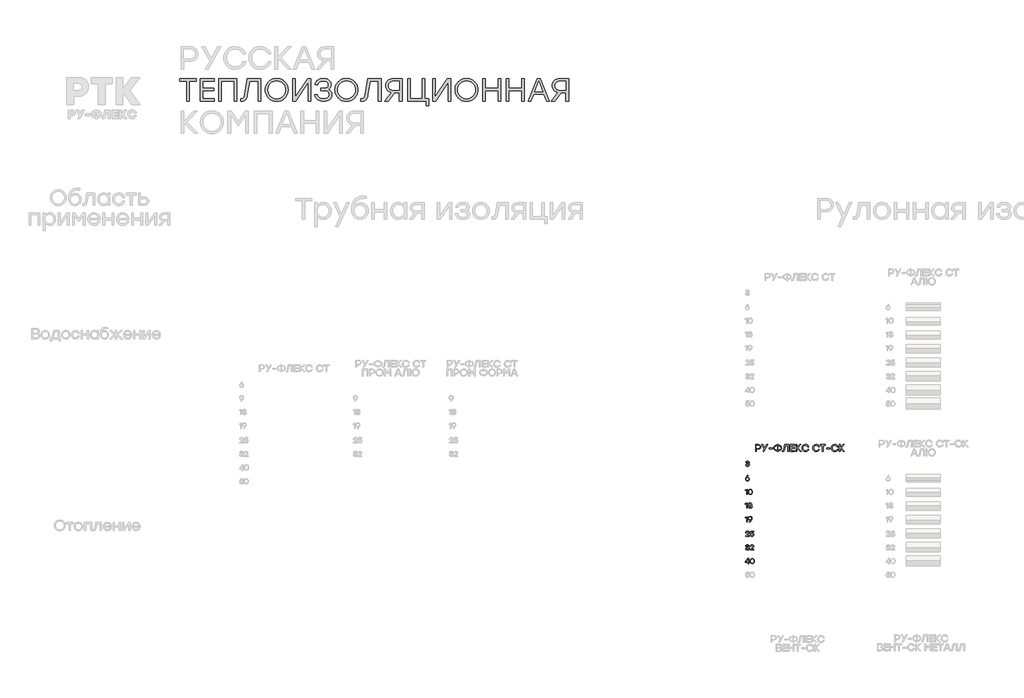
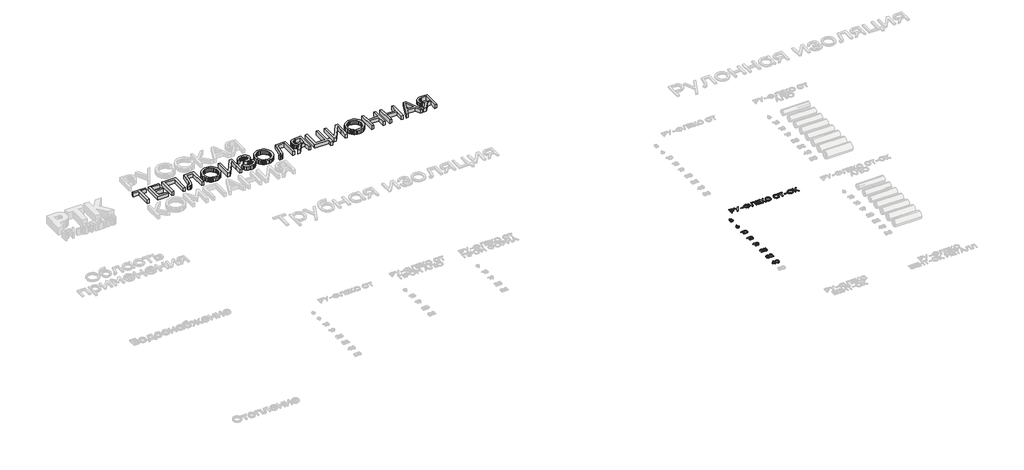
# One storey, part 35 of 41: 10 proxies.
"""IFC4 building model written with IfcOpenShell, lengths in millimetres."""

from ifc_helpers import new_model, si_unit, origin, origin_with_axes, place, context, project, spatial, polyline, outline, extrude, element, save

model = new_model("IFC4")

# Units and contexts
model_context = context("Model", 3, world=origin())
ifc_project = project(units=[si_unit("LENGTHUNIT", "METRE", prefix="MILLI")], contexts=[model_context])

# Site, building, storey
site = spatial("IfcSite", under=ifc_project)
building = spatial("IfcBuilding", under=site)
storey = spatial("IfcBuildingStorey", under=building, Elevation=0.0)

# Proxies
placement = place(None, origin())
element("IfcBuildingElementProxy", 1, Name="Generic Models", at=placement, inside=storey, context=model_context, shape_type="SweptSolid", body=[
    extrude(outline(polyline([(5396.4679587, -1804.1575167), (5396.4679587, -1876.9987756), (5187.6795293, -1876.9987756), (5187.6795293, -2450.5150358), (5110.1444423, -2450.5150358), (5110.1444423, -1876.9987756), (4902.3990858, -1876.9987756), (4902.3990858, -1804.1575167), (5396.4679587, -1804.1575167)])), origin_with_axes(), (0.0, 0.0, 1.0), 150.0),
    extrude(outline(polyline([(5918.525955, -1876.9987756), (5585.0903117, -1876.9987756), (5585.0903117, -2082.1364497), (5896.2737327, -2082.1364497), (5896.2737327, -2154.9777086), (5585.0903117, -2154.9777086), (5585.0903117, -2377.4999315), (5918.525955, -2377.4999315), (5918.525955, -2450.5150358), (5508.4244521, -2450.5150358), (5508.4244521, -1804.1575167), (5918.525955, -1804.1575167), (5918.525955, -1876.9987756)])), origin_with_axes(), (0.0, 0.0, 1.0), 150.0),
    extrude(outline(polyline([(6570.7942207, -1804.1575167), (6570.7942207, -2450.5150358), (6494.1283611, -2450.5150358), (6494.1283611, -1876.9987756), (6119.1436465, -1876.9987756), (6119.1436465, -2450.5150358), (6042.4777869, -2450.5150358), (6042.4777869, -1804.1575167), (6119.1436465, -1804.1575167), (6570.7942207, -1804.1575167)])), origin_with_axes(), (0.0, 0.0, 1.0), 150.0),
    extrude(outline(polyline([(6883.889942, -1804.1575167), (7272.60845, -1804.1575167), (7272.60845, -2450.5150358), (7195.9425905, -2450.5150358), (7195.9425905, -1876.9987756), (6948.3866176, -1876.9987756), (6886.6714698, -2252.8527176), (6876.284202, -2305.5333327), (6863.7238656, -2349.8802298), (6848.9904606, -2385.8934089), (6832.083987, -2413.5728699), (6812.4177163, -2434.1463967), (6789.4049201, -2448.841773), (6763.0455982, -2457.6589988), (6733.3397506, -2460.5980741), (6682.5768685, -2457.8165463), (6682.5768685, -2387.7568152), (6718.5628843, -2389.49527), (6737.1154573, -2387.6481617), (6753.1364054, -2382.1068369), (6766.6257286, -2372.8712954), (6777.583427, -2359.9415373), (6786.9330545, -2341.8833374), (6795.5981655, -2317.2624704), (6810.8748377, -2248.3327349), (6883.889942, -1804.1575167)])), origin_with_axes(), (0.0, 0.0, 1.0), 150.0),
    extrude(outline(polyline([(7502.0844923, -1889.5156506), (7526.9063682, -1867.1058808), (7553.1298733, -1847.6840804), (7580.7550077, -1831.2502492), (7609.7817713, -1817.8043874), (7640.2101641, -1807.3464948), (7672.0401862, -1799.8765716), (7739.905118, -1793.900633), (7807.7102904, -1799.8765716), (7839.4656133, -1807.3464948), (7869.7894272, -1817.8043874), (7898.6817321, -1831.2502492), (7926.1425282, -1847.6840804), (7952.1718153, -1867.1058808), (7976.7695935, -1889.5156506), (7999.1589907, -1914.147383), (8018.563135, -1940.2350713), (8034.9820263, -1967.7787156), (8048.4156647, -1996.7783158), (8058.86405, -2027.233872), (8066.3271824, -2059.1453841), (8072.2976884, -2127.3362763), (8066.2945864, -2195.5217357), (8058.790709, -2227.426457), (8048.2852805, -2257.872506), (8034.7783011, -2286.8598827), (8018.2697707, -2314.3885872), (7998.7596894, -2340.4586193), (7976.248057, -2365.0699792), (7951.5294019, -2387.4593764), (7925.3982522, -2406.8635207), (7897.8546079, -2423.282412), (7868.8984691, -2436.7160503), (7838.5298356, -2447.1644357), (7806.7487076, -2454.6275681), (7738.9489678, -2460.5980741), (7671.1492281, -2454.6275681), (7639.3681, -2447.1644357), (7608.9994666, -2436.7160503), (7580.0433277, -2423.282412), (7552.4996835, -2406.8635207), (7526.3685338, -2387.4593764), (7501.6498786, -2365.0699792), (7479.1382463, -2340.4586193), (7459.6281649, -2314.3885872), (7443.1196345, -2286.8598827), (7429.6126551, -2257.872506), (7419.1072267, -2227.426457), (7411.6033492, -2195.5217357), (7405.6002473, -2127.3362763), (7411.6305126, -2059.1453841), (7419.1683443, -2027.233872), (7429.7213086, -1996.7783158), (7443.2894055, -1967.7787156), (7459.8726351, -1940.2350713), (7479.4709974, -1914.147383), (7502.0844923, -1889.5156506)]), holes=[polyline([(7739.0358906, -1866.9157373), (7687.1104168, -1871.5878348), (7639.4658881, -1885.6041271), (7596.1023046, -1908.9646144), (7557.0196661, -1941.6692966), (7524.6952709, -1981.3006348), (7501.6064173, -2025.4410904), (7487.753105, -2074.0906633), (7483.1353343, -2127.2493535), (7487.753105, -2180.4134764), (7501.6064173, -2229.0793473), (7524.6952709, -2273.2469662), (7557.0196661, -2312.9163332), (7596.1023046, -2345.6590441), (7639.4658881, -2369.0466947), (7687.1104168, -2383.079285), (7739.0358906, -2387.7568152), (7791.3090553, -2383.1118811), (7839.1274295, -2369.1770788), (7882.491013, -2345.9524083), (7921.399806, -2313.4378697), (7953.496029, -2273.9369155), (7976.4219025, -2229.7529985), (7990.1774266, -2180.8861188), (7994.7626014, -2127.3362763), (7990.1774266, -2073.7864337), (7976.4219025, -2024.919554), (7953.496029, -1980.735637), (7921.399806, -1941.2346829), (7882.491013, -1908.7201442), (7839.1274295, -1885.4954737), (7791.3090553, -1871.5606714), (7739.0358906, -1866.9157373)])]), origin_with_axes(), (0.0, 0.0, 1.0), 150.0),
    extrude(outline(polyline([(8642.5108844, -1804.1575167), (8736.7351381, -1804.1575167), (8736.7351381, -2450.5150358), (8660.0692785, -2450.5150358), (8660.0692785, -2180.0114587), (8666.5015615, -1906.5525083), (8301.7737307, -2450.5150358), (8207.5494769, -2450.5150358), (8207.5494769, -1804.1575167), (8284.2153365, -1804.1575167), (8284.2153365, -2074.6610938), (8277.7830535, -2347.9461987), (8642.5108844, -1804.1575167)])), origin_with_axes(), (0.0, 0.0, 1.0), 150.0),
    extrude(outline(polyline([(9233.4116933, -2109.7778821), (9259.2549114, -2119.6599115), (9282.197083, -2132.7906784), (9302.238208, -2149.1701828), (9319.3782864, -2168.7984248), (9333.1066472, -2191.0343491), (9342.9126192, -2215.2369004), (9348.7962024, -2241.4060788), (9350.7573968, -2269.5418843), (9346.6883259, -2311.1072536), (9334.4811131, -2348.1852363), (9314.1357585, -2380.7758323), (9285.652262, -2408.8790418), (9250.3561956, -2431.5061184), (9209.573131, -2447.668316), (9163.3030682, -2457.3656345), (9111.5460072, -2460.5980741), (9061.0112973, -2457.5123167), (9014.7575326, -2448.2550445), (8972.7847129, -2432.8262576), (8935.0928383, -2411.2259559), (8903.1269995, -2383.6279849), (8878.332287, -2350.2061901), (8860.7087008, -2310.9605715), (8850.2562409, -2265.8911291), (8927.7913279, -2265.8911291), (8936.5053329, -2294.4533992), (8949.2612455, -2319.2073667), (8966.0590656, -2340.1530315), (8986.8987933, -2357.2903936), (9011.7804286, -2370.6194531), (9040.7039714, -2380.1402098), (9073.6694218, -2385.8526638), (9110.6767798, -2387.7568152), (9146.9018331, -2385.676102), (9178.9111333, -2379.4339625), (9206.7046804, -2369.0303967), (9230.2824746, -2354.4654045), (9249.0686525, -2336.3257145), (9262.487351, -2315.1980552), (9270.5385701, -2291.0824266), (9273.2223098, -2263.9788287), (9271.0003471, -2239.4557498), (9264.3344593, -2217.5186224), (9253.2246461, -2198.1674467), (9237.6709077, -2181.4022226), (9217.3255531, -2167.8640053), (9191.8408913, -2158.1938501), (9161.2169223, -2152.391757), (9125.4536462, -2150.457726), (9023.7540365, -2150.457726), (9023.7540365, -2083.0056772), (9102.3321964, -2083.0056772), (9136.965477, -2081.4465005), (9166.9809868, -2076.7689703), (9192.3787258, -2068.9730868), (9213.1586941, -2058.0588498), (9229.3208917, -2044.0262595), (9240.8653186, -2026.8753157), (9247.7919747, -2006.6060185), (9250.10086, -1983.2183679), (9247.5583698, -1957.8314942), (9239.9308991, -1935.2152829), (9227.2184479, -1915.3697341), (9209.4210162, -1898.2948477), (9187.3535047, -1884.5664869), (9161.8308142, -1874.7605149), (9132.8529447, -1868.8769317), (9100.4198961, -1866.9157373), (9068.5029513, -1868.5292408), (9040.0303202, -1873.369751), (9015.0020028, -1881.4372681), (8993.4179991, -1892.7317921), (8975.0501369, -1907.8943781), (8959.670244, -1927.5660815), (8947.2783204, -1951.7469021), (8937.8743661, -1980.4368401), (8860.3392791, -1980.4368401), (8871.9760614, -1935.6227332), (8889.328014, -1897.1431213), (8912.395137, -1864.9980043), (8941.1774304, -1839.1873822), (8974.9795122, -1819.3744294), (9013.1060004, -1805.2223203), (9055.5568952, -1796.7310548), (9102.3321964, -1793.900633), (9149.134661, -1797.0461497), (9191.6670459, -1806.4827001), (9229.9293509, -1822.2102839), (9263.9215762, -1844.2289013), (9291.7966135, -1871.2129805), (9311.7073543, -1901.8369495), (9323.6537989, -1936.1008083), (9327.6359471, -1974.0045571), (9326.0767703, -1996.5121149), (9321.3992402, -2017.791889), (9313.6033567, -2037.8438794), (9302.6891197, -2056.668086), (9289.0042203, -2073.6451843), (9272.8963495, -2088.1558497), (9254.3655071, -2100.2000823), (9233.4116933, -2109.7778821)])), origin_with_axes(), (0.0, 0.0, 1.0), 150.0),
    extrude(outline(polyline([(9538.1628313, -1889.5156506), (9562.9847072, -1867.1058808), (9589.2082123, -1847.6840804), (9616.8333467, -1831.2502492), (9645.8601103, -1817.8043874), (9676.2885031, -1807.3464948), (9708.1185252, -1799.8765716), (9775.983457, -1793.900633), (9843.7886294, -1799.8765716), (9875.5439523, -1807.3464948), (9905.8677662, -1817.8043874), (9934.7600711, -1831.2502492), (9962.2208672, -1847.6840804), (9988.2501543, -1867.1058808), (10012.8479325, -1889.5156506), (10035.2373297, -1914.147383), (10054.641474, -1940.2350713), (10071.0603653, -1967.7787156), (10084.4940036, -1996.7783158), (10094.942389, -2027.233872), (10102.4055214, -2059.1453841), (10108.3760273, -2127.3362763), (10102.3729254, -2195.5217357), (10094.8690479, -2227.426457), (10084.3636195, -2257.872506), (10070.8566401, -2286.8598827), (10054.3481097, -2314.3885872), (10034.8380283, -2340.4586193), (10012.326396, -2365.0699792), (9987.6077409, -2387.4593764), (9961.4765912, -2406.8635207), (9933.9329469, -2423.282412), (9904.976808, -2436.7160503), (9874.6081746, -2447.1644357), (9842.8270466, -2454.6275681), (9775.0273068, -2460.5980741), (9707.227567, -2454.6275681), (9675.446439, -2447.1644357), (9645.0778056, -2436.7160503), (9616.1216667, -2423.282412), (9588.5780224, -2406.8635207), (9562.4468727, -2387.4593764), (9537.7282176, -2365.0699792), (9515.2165853, -2340.4586193), (9495.7065039, -2314.3885872), (9479.1979735, -2286.8598827), (9465.6909941, -2257.872506), (9455.1855657, -2227.426457), (9447.6816882, -2195.5217357), (9441.6785863, -2127.3362763), (9447.7088516, -2059.1453841), (9455.2466832, -2027.233872), (9465.7996475, -1996.7783158), (9479.3677445, -1967.7787156), (9495.9509741, -1940.2350713), (9515.5493364, -1914.147383), (9538.1628313, -1889.5156506)]), holes=[polyline([(9775.1142295, -1866.9157373), (9723.1887558, -1871.5878348), (9675.5442271, -1885.6041271), (9632.1806435, -1908.9646144), (9593.0980051, -1941.6692966), (9560.7736099, -1981.3006348), (9537.6847562, -2025.4410904), (9523.831444, -2074.0906633), (9519.2136733, -2127.2493535), (9523.831444, -2180.4134764), (9537.6847562, -2229.0793473), (9560.7736099, -2273.2469662), (9593.0980051, -2312.9163332), (9632.1806435, -2345.6590441), (9675.5442271, -2369.0466947), (9723.1887558, -2383.079285), (9775.1142295, -2387.7568152), (9827.3873943, -2383.1118811), (9875.2057685, -2369.1770788), (9918.569352, -2345.9524083), (9957.478145, -2313.4378697), (9989.5743679, -2273.9369155), (10012.5002415, -2229.7529985), (10026.2557656, -2180.8861188), (10030.8409403, -2127.3362763), (10026.2557656, -2073.7864337), (10012.5002415, -2024.919554), (9989.5743679, -1980.735637), (9957.478145, -1941.2346829), (9918.569352, -1908.7201442), (9875.2057685, -1885.4954737), (9827.3873943, -1871.5606714), (9775.1142295, -1866.9157373)])]), origin_with_axes(), (0.0, 0.0, 1.0), 150.0),
    extrude(outline(polyline([(10399.7410629, -1804.1575167), (10788.4595709, -1804.1575167), (10788.4595709, -2450.5150358), (10711.7937113, -2450.5150358), (10711.7937113, -1876.9987756), (10464.2377384, -1876.9987756), (10402.5225907, -2252.8527176), (10392.1353228, -2305.5333327), (10379.5749864, -2349.8802298), (10364.8415814, -2385.8934089), (10347.9351079, -2413.5728699), (10328.2688372, -2434.1463967), (10305.2560409, -2448.841773), (10278.896719, -2457.6589988), (10249.1908715, -2460.5980741), (10198.4279894, -2457.8165463), (10198.4279894, -2387.7568152), (10234.4140051, -2389.49527), (10252.9665781, -2387.6481617), (10268.9875263, -2382.1068369), (10282.4768495, -2372.8712954), (10293.4345478, -2359.9415373), (10302.7841754, -2341.8833374), (10311.4492864, -2317.2624704), (10326.7259585, -2248.3327349), (10399.7410629, -1804.1575167)])), origin_with_axes(), (0.0, 0.0, 1.0), 150.0),
    extrude(outline(polyline([(11143.1043635, -1804.1575167), (11398.8310743, -1804.1575167), (11398.8310743, -2450.5150358), (11322.3390602, -2450.5150358), (11322.3390602, -2204.8713633), (11188.3041901, -2204.8713633), (10994.4664725, -2450.5150358), (10899.3729913, -2450.5150358), (11099.6429919, -2202.0898355), (11060.0496823, -2193.5225126), (11025.2371236, -2179.8158825), (10995.2053158, -2160.9699452), (10969.9542589, -2136.9847008), (10949.9511626, -2108.7293765), (10935.6632367, -2077.0731999), (10927.0904811, -2042.016171), (10924.2328959, -2003.5582898), (10927.8130264, -1960.9552802), (10938.5534179, -1922.6766772), (10956.4540703, -1888.7224806), (10981.5149838, -1859.0926904), (11013.0951029, -1835.0585519), (11050.5533726, -1817.8913101), (11093.8897928, -1807.590965), (11143.1043635, -1804.1575167)]), holes=[polyline([(11150.405874, -2135.6808596), (11322.3390602, -2135.6808596), (11322.3390602, -1876.9987756), (11150.405874, -1876.9987756), (11115.8160548, -1879.2207382), (11085.7570837, -1885.8866261), (11060.2289605, -1896.9964392), (11039.2316853, -1912.5501776), (11022.8413155, -1931.6894791), (11011.1339085, -1953.5559817), (11004.1094643, -1978.1496854), (11001.7679829, -2005.4705902), (11004.1094643, -2033.1283205), (11011.1339085, -2058.0371192), (11022.8413155, -2080.196986), (11039.2316853, -2099.6079211), (11060.2289605, -2115.3898317), (11085.7570837, -2126.662625), (11115.8160548, -2133.426301), (11150.405874, -2135.6808596)])]), origin_with_axes(), (0.0, 0.0, 1.0), 150.0),
    extrude(outline(polyline([(12065.3546699, -2377.4999315), (12176.0942449, -2377.4999315), (12176.0942449, -2586.2883609), (12099.4283853, -2586.2883609), (12099.4283853, -2450.5150358), (11561.0289133, -2450.5150358), (11561.0289133, -2377.4999315), (11561.0289133, -1804.1575167), (11637.6947729, -1804.1575167), (11637.6947729, -2377.4999315), (11988.6888103, -2377.4999315), (11988.6888103, -1804.1575167), (12065.3546699, -1804.1575167), (12065.3546699, -2377.4999315)])), origin_with_axes(), (0.0, 0.0, 1.0), 150.0),
    extrude(outline(polyline([(12725.7936735, -1804.1575167), (12820.0179272, -1804.1575167), (12820.0179272, -2450.5150358), (12743.3520676, -2450.5150358), (12743.3520676, -2180.0114587), (12749.7843506, -1906.5525083), (12385.0565198, -2450.5150358), (12290.832266, -2450.5150358), (12290.832266, -1804.1575167), (12367.4981256, -1804.1575167), (12367.4981256, -2074.6610938), (12361.0658426, -2347.9461987), (12725.7936735, -1804.1575167)])), origin_with_axes(), (0.0, 0.0, 1.0), 150.0),
    extrude(outline(polyline([(13042.887841, -1889.5156506), (13067.7097169, -1867.1058808), (13093.933222, -1847.6840804), (13121.5583564, -1831.2502492), (13150.58512, -1817.8043874), (13181.0135128, -1807.3464948), (13212.8435349, -1799.8765716), (13280.7084667, -1793.900633), (13348.5136391, -1799.8765716), (13380.268962, -1807.3464948), (13410.5927759, -1817.8043874), (13439.4850808, -1831.2502492), (13466.9458769, -1847.6840804), (13492.975164, -1867.1058808), (13517.5729422, -1889.5156506), (13539.9623394, -1914.147383), (13559.3664837, -1940.2350713), (13575.785375, -1967.7787156), (13589.2190133, -1996.7783158), (13599.6673987, -2027.233872), (13607.1305311, -2059.1453841), (13613.1010371, -2127.3362763), (13607.0979351, -2195.5217357), (13599.5940576, -2227.426457), (13589.0886292, -2257.872506), (13575.5816498, -2286.8598827), (13559.0731194, -2314.3885872), (13539.5630381, -2340.4586193), (13517.0514057, -2365.0699792), (13492.3327506, -2387.4593764), (13466.2016009, -2406.8635207), (13438.6579566, -2423.282412), (13409.7018177, -2436.7160503), (13379.3331843, -2447.1644357), (13347.5520563, -2454.6275681), (13279.7523165, -2460.5980741), (13211.9525767, -2454.6275681), (13180.1714487, -2447.1644357), (13149.8028153, -2436.7160503), (13120.8466764, -2423.282412), (13093.3030321, -2406.8635207), (13067.1718824, -2387.4593764), (13042.4532273, -2365.0699792), (13019.941595, -2340.4586193), (13000.4315136, -2314.3885872), (12983.9229832, -2286.8598827), (12970.4160038, -2257.872506), (12959.9105754, -2227.426457), (12952.4066979, -2195.5217357), (12946.403596, -2127.3362763), (12952.4338613, -2059.1453841), (12959.9716929, -2027.233872), (12970.5246572, -1996.7783158), (12984.0927542, -1967.7787156), (13000.6759838, -1940.2350713), (13020.2743461, -1914.147383), (13042.887841, -1889.5156506)]), holes=[polyline([(13279.8392393, -1866.9157373), (13227.9137655, -1871.5878348), (13180.2692368, -1885.6041271), (13136.9056532, -1908.9646144), (13097.8230148, -1941.6692966), (13065.4986196, -1981.3006348), (13042.4097659, -2025.4410904), (13028.5564537, -2074.0906633), (13023.938683, -2127.2493535), (13028.5564537, -2180.4134764), (13042.4097659, -2229.0793473), (13065.4986196, -2273.2469662), (13097.8230148, -2312.9163332), (13136.9056532, -2345.6590441), (13180.2692368, -2369.0466947), (13227.9137655, -2383.079285), (13279.8392393, -2387.7568152), (13332.112404, -2383.1118811), (13379.9307782, -2369.1770788), (13423.2943617, -2345.9524083), (13462.2031547, -2313.4378697), (13494.2993777, -2273.9369155), (13517.2252512, -2229.7529985), (13530.9807753, -2180.8861188), (13535.56595, -2127.3362763), (13530.9807753, -2073.7864337), (13517.2252512, -2024.919554), (13494.2993777, -1980.735637), (13462.2031547, -1941.2346829), (13423.2943617, -1908.7201442), (13379.9307782, -1885.4954737), (13332.112404, -1871.5606714), (13279.8392393, -1866.9157373)])]), origin_with_axes(), (0.0, 0.0, 1.0), 150.0),
    extrude(outline(polyline([(14204.5233824, -1804.1575167), (14281.189242, -1804.1575167), (14281.189242, -2450.5150358), (14204.5233824, -2450.5150358), (14204.5233824, -2153.2392538), (13829.5386679, -2153.2392538), (13829.5386679, -2450.5150358), (13752.8728083, -2450.5150358), (13752.8728083, -1804.1575167), (13829.5386679, -1804.1575167), (13829.5386679, -2080.2241494), (14204.5233824, -2080.2241494), (14204.5233824, -1804.1575167)])), origin_with_axes(), (0.0, 0.0, 1.0), 150.0),
    extrude(outline(polyline([(14894.3422732, -1804.1575167), (14971.0081328, -1804.1575167), (14971.0081328, -2450.5150358), (14894.3422732, -2450.5150358), (14894.3422732, -2153.2392538), (14519.3575587, -2153.2392538), (14519.3575587, -2450.5150358), (14442.6916991, -2450.5150358), (14442.6916991, -1804.1575167), (14519.3575587, -1804.1575167), (14519.3575587, -2080.2241494), (14894.3422732, -2080.2241494), (14894.3422732, -1804.1575167)])), origin_with_axes(), (0.0, 0.0, 1.0), 150.0),
    extrude(outline(polyline([(15617.365652, -2450.5150358), (15540.6997924, -2256.5034728), (15240.6424825, -2256.5034728), (15163.9766229, -2450.5150358), (15082.7907807, -2450.5150358), (15341.2990193, -1804.1575167), (15440.0432557, -1804.1575167), (15698.7253397, -2450.5150358), (15617.365652, -2450.5150358)]), holes=[polyline([(15270.1962153, -2183.6622139), (15512.1891326, -2183.6622139), (15391.1926739, -1876.9987756), (15270.1962153, -2183.6622139)])]), origin_with_axes(), (0.0, 0.0, 1.0), 150.0),
    extrude(outline(polyline([(16005.2149326, -1804.1575167), (16260.9416433, -1804.1575167), (16260.9416433, -2450.5150358), (16184.4496292, -2450.5150358), (16184.4496292, -2204.8713633), (16050.4147591, -2204.8713633), (15856.5770415, -2450.5150358), (15761.4835604, -2450.5150358), (15961.7535609, -2202.0898355), (15922.1602513, -2193.5225126), (15887.3476927, -2179.8158825), (15857.3158848, -2160.9699452), (15832.0648279, -2136.9847008), (15812.0617316, -2108.7293765), (15797.7738057, -2077.0731999), (15789.2010501, -2042.016171), (15786.3434649, -2003.5582898), (15789.9235954, -1960.9552802), (15800.6639869, -1922.6766772), (15818.5646394, -1888.7224806), (15843.6255528, -1859.0926904), (15875.205672, -1835.0585519), (15912.6639416, -1817.8913101), (15956.0003618, -1807.590965), (16005.2149326, -1804.1575167)]), holes=[polyline([(16012.516443, -2135.6808596), (16184.4496292, -2135.6808596), (16184.4496292, -1876.9987756), (16012.516443, -1876.9987756), (15977.9266238, -1879.2207382), (15947.8676527, -1885.8866261), (15922.3395295, -1896.9964392), (15901.3422543, -1912.5501776), (15884.9518845, -1931.6894791), (15873.2444776, -1953.5559817), (15866.2200334, -1978.1496854), (15863.878552, -2005.4705902), (15866.2200334, -2033.1283205), (15873.2444776, -2058.0371192), (15884.9518845, -2080.196986), (15901.3422543, -2099.6079211), (15922.3395295, -2115.3898317), (15947.8676527, -2126.662625), (15977.9266238, -2133.426301), (16012.516443, -2135.6808596)])]), origin_with_axes(), (0.0, 0.0, 1.0), 150.0),
])
element("IfcBuildingElementProxy", 2, Name="Generic Models", at=placement, inside=storey, context=model_context, shape_type="SweptSolid", body=[
    extrude(outline(polyline([(21490.5956427, -13446.3810501), (21510.2621824, -13449.7294046), (21526.8224173, -13459.7744679), (21538.0777292, -13475.6085536), (21541.8294998, -13496.3239753), (21537.8104659, -13517.8411868), (21525.7533643, -13534.870393), (21507.6954468, -13545.9592957), (21485.6739651, -13549.6555966), (21463.8340208, -13545.9895519), (21445.8366157, -13534.9914178), (21433.7795141, -13517.8311013), (21429.7604802, -13495.6785094), (21432.3826855, -13477.8323854), (21440.2493013, -13459.8753219), (21482.0432194, -13400.3109204), (21484.3830333, -13397.3256405), (21505.1993091, -13397.3256405), (21462.5178754, -13454.3283492), (21476.5164175, -13448.3678749), (21490.5956427, -13446.3810501)]), holes=[polyline([(21485.6739651, -13532.7524579), (21500.7819017, -13530.2311067), (21513.1062665, -13522.667053), (21521.3057008, -13511.0385811), (21524.0388455, -13496.3239753), (21521.3057008, -13481.5085155), (21513.1062665, -13470.0615809), (21500.8323287, -13462.7395769), (21485.8756732, -13460.2989089), (21470.5458577, -13462.7647904), (21458.3626886, -13470.1624349), (21450.4053041, -13481.6850101), (21447.7528426, -13496.5256834), (21450.4557311, -13511.3663568), (21458.5643967, -13522.8889319), (21470.7475658, -13530.2865764), (21485.6739651, -13532.7524579)])]), origin_with_axes(), (0.0, 0.0, 1.0), 20.0),
])
element("IfcBuildingElementProxy", 3, Name="Generic Models", at=placement, inside=storey, context=model_context, shape_type="SweptSolid", body=[
    extrude(outline(polyline([(21471.7561063, -13797.3256405), (21479.9051135, -13797.3256405), (21479.9051135, -13947.3157827), (21462.1144592, -13947.3157827), (21462.1144592, -13818.1015747), (21427.6223744, -13832.0194335), (21427.6223744, -13814.4708289), (21471.7561063, -13797.3256405)])), origin_with_axes(), (0.0, 0.0, 1.0), 20.0),
    extrude(outline(polyline([(21570.6334163, -13794.945485), (21596.1394053, -13800.0083582), (21615.2109061, -13815.1969781), (21627.1015985, -13839.5986153), (21631.0651626, -13872.3005408), (21627.1015985, -13905.0024663), (21615.2109061, -13929.4041035), (21596.1394053, -13944.5927233), (21570.6334163, -13949.6555966), (21545.2787083, -13944.6229795), (21526.1769513, -13929.5251284), (21514.1954903, -13905.1587901), (21510.2016699, -13872.3207116), (21514.1954903, -13839.4775904), (21526.1769513, -13815.096124), (21545.2787083, -13799.9831447), (21570.6334163, -13794.945485)]), holes=[polyline([(21539.4493442, -13918.0681084), (21552.8730182, -13929.0813705), (21570.6334163, -13932.7524579), (21588.3938144, -13929.0813705), (21601.8174883, -13918.0681084), (21610.2589722, -13899.2890844), (21613.0728002, -13872.3207116), (21610.2589722, -13845.3523388), (21601.8174883, -13826.5733148), (21588.3938144, -13815.5600526), (21570.6334163, -13811.8889653), (21552.8730182, -13815.5600526), (21539.4493442, -13826.5733148), (21531.0078603, -13845.3523388), (21528.1940323, -13872.3207116), (21531.0078603, -13899.2890844), (21539.4493442, -13918.0681084)])]), origin_with_axes(), (0.0, 0.0, 1.0), 20.0),
])
element("IfcBuildingElementProxy", 4, Name="Generic Models", at=placement, inside=storey, context=model_context, shape_type="SweptSolid", body=[
    extrude(outline(polyline([(21471.7561063, -14197.3256405), (21479.9051135, -14197.3256405), (21479.9051135, -14347.3157827), (21462.1144592, -14347.3157827), (21462.1144592, -14218.1015747), (21427.6223744, -14232.0194335), (21427.6223744, -14214.4708289), (21471.7561063, -14197.3256405)])), origin_with_axes(), (0.0, 0.0, 1.0), 20.0),
    extrude(outline(polyline([(21592.942332, -14268.246208), (21604.1522596, -14273.7124975), (21612.5281884, -14281.9623587), (21617.7473854, -14292.6226317), (21619.4871178, -14305.3201565), (21615.7908169, -14323.5696968), (21604.7019141, -14337.6539647), (21587.6121955, -14346.6551886), (21565.9134468, -14349.6555966), (21544.5273456, -14346.7661281), (21526.6005383, -14338.0977226), (21513.6559211, -14323.9126005), (21507.2163901, -14304.4729825), (21525.2087525, -14304.4729825), (21530.0699176, -14316.845253), (21538.4408037, -14325.6825891), (21550.3214107, -14330.9849907), (21565.7117387, -14332.7524579), (21580.6230099, -14330.8211029), (21591.9539623, -14325.0270378), (21599.1095571, -14315.9148744), (21601.4947554, -14304.0292247), (21599.4877598, -14293.2479268), (21593.466773, -14284.8669553), (21583.0989768, -14279.4813491), (21568.0515526, -14277.686147), (21547.2756185, -14277.686147), (21547.2756185, -14262.0335986), (21562.9281669, -14262.0335986), (21577.6478154, -14260.586343), (21588.16185, -14256.2445761), (21594.4702708, -14249.0082981), (21596.5730778, -14238.8775088), (21594.2937762, -14227.7381791), (21587.4558717, -14219.1706276), (21576.8661965, -14213.7093808), (21563.3315831, -14211.8889653), (21550.4928626, -14213.4169041), (21540.215835, -14218.0007206), (21532.5509273, -14226.1144289), (21527.5485664, -14238.2320429), (21509.556204, -14238.2320429), (21516.2276994, -14219.0294319), (21528.0931783, -14205.555331), (21544.2449543, -14197.5979465), (21563.7753409, -14194.945485), (21583.789827, -14197.8652097), (21600.1029695, -14206.6243839), (21610.9498225, -14219.9925881), (21614.5654402, -14236.739403), (21608.9982966, -14256.0226972), (21602.2007337, -14263.2539326), (21592.942332, -14268.246208)])), origin_with_axes(), (0.0, 0.0, 1.0), 20.0),
])
element("IfcBuildingElementProxy", 5, Name="Generic Models", at=placement, inside=storey, context=model_context, shape_type="SweptSolid", body=[
    extrude(outline(polyline([(21471.7561063, -14597.3256405), (21479.9051135, -14597.3256405), (21479.9051135, -14747.3157827), (21462.1144592, -14747.3157827), (21462.1144592, -14618.1015747), (21427.6223744, -14632.0194335), (21427.6223744, -14614.4708289), (21471.7561063, -14597.3256405)])), origin_with_axes(), (0.0, 0.0, 1.0), 20.0),
    extrude(outline(polyline([(21563.3315831, -14594.945485), (21585.2017837, -14598.5913589), (21603.2092742, -14609.5289805), (21615.2663758, -14626.6792116), (21619.2854097, -14648.9629138), (21616.6581617, -14666.8039951), (21608.7764177, -14684.7459305), (21567.0026705, -14744.3305028), (21564.6225149, -14747.3157827), (21543.8465808, -14747.3157827), (21586.4876728, -14690.313074), (21572.5093016, -14696.2735483), (21558.4099055, -14698.2603731), (21538.7484086, -14694.9120186), (21522.2033018, -14684.8669553), (21510.963118, -14669.0328696), (21507.2163901, -14648.3174479), (21511.2354239, -14626.7699802), (21523.2925255, -14609.7306886), (21541.3403577, -14598.6417859), (21563.3315831, -14594.945485)]), holes=[polyline([(21563.129875, -14684.3021727), (21578.5151602, -14681.8413339), (21590.7840553, -14674.4588174), (21598.8170804, -14662.9513704), (21601.4947554, -14648.1157398), (21598.7616106, -14633.2750664), (21590.5621764, -14621.7524913), (21578.2932813, -14614.3548468), (21563.3517539, -14611.8889653), (21548.4102265, -14614.4052738), (21536.1413314, -14621.9541994), (21527.9418972, -14633.5776286), (21525.2087525, -14648.3174479), (21527.911641, -14663.127865), (21536.0203066, -14674.5596715), (21548.2034757, -14681.8665474), (21563.129875, -14684.3021727)])]), origin_with_axes(), (0.0, 0.0, 1.0), 20.0),
])
element("IfcBuildingElementProxy", 6, Name="Generic Models", at=placement, inside=storey, context=model_context, shape_type="SweptSolid", body=[
    extrude(outline(polyline([(21542.2732576, -15154.1705943), (21542.2732576, -15171.3157827), (21429.7604802, -15171.3157827), (21429.7604802, -15158.446806), (21473.2487463, -15120.5256834), (21511.9363596, -15084.5409586), (21518.2901647, -15074.5765786), (21520.4080997, -15063.9667326), (21518.1035847, -15052.6912499), (21511.1900396, -15043.7152395), (21500.4188271, -15037.8455338), (21486.54131, -15035.8889653), (21472.608323, -15037.9514306), (21461.6707014, -15044.1388265), (21453.7940002, -15054.077993), (21449.0437744, -15067.3957703), (21431.051412, -15067.3957703), (21437.2488934, -15047.3964123), (21449.4673614, -15032.0161698), (21466.5671655, -15022.2131562), (21487.4086548, -15018.945485), (21507.9526246, -15022.1072594), (21524.1598704, -15031.5925828), (21534.6890331, -15045.8483026), (21538.198754, -15063.3212667), (21535.6521893, -15077.9602319), (21528.012495, -15091.0561302), (21487.812071, -15129.3201565), (21459.0888377, -15154.1705943), (21542.2732576, -15154.1705943)])), origin_with_axes(), (0.0, 0.0, 1.0), 20.0),
    extrude(outline(polyline([(21623.3599133, -15072.3174479), (21643.2483318, -15075.6910158), (21659.667371, -15085.8117197), (21670.6806332, -15101.5096524), (21674.3517206, -15121.6149072), (21670.4436262, -15142.3152008), (21658.7193429, -15158.9914178), (21641.1556103, -15169.9895519), (21619.7291675, -15173.6555966), (21598.771696, -15170.6047616), (21580.9205293, -15161.4522566), (21567.9002715, -15146.7225227), (21561.435527, -15126.940001), (21579.4278894, -15126.940001), (21584.5764886, -15139.6425685), (21593.5676271, -15149.0270378), (21605.5642163, -15154.8211029), (21619.7291675, -15156.7524579), (21634.2168517, -15154.2311067), (21645.9713911, -15146.667053), (21653.7623664, -15135.3613141), (21656.3593582, -15121.6149072), (21653.7875799, -15107.6718348), (21646.0722452, -15096.7442986), (21634.3933462, -15089.6794724), (21619.9308756, -15087.3245304), (21598.9330625, -15092.195781), (21584.349567, -15106.8095327), (21567.2043786, -15106.8095327), (21585.4387907, -15021.3256405), (21667.2919371, -15021.3256405), (21667.2919371, -15038.2287792), (21598.9128917, -15038.2287792), (21589.0695365, -15084.9443748), (21604.500206, -15075.4741796), (21623.3599133, -15072.3174479)])), origin_with_axes(), (0.0, 0.0, 1.0), 20.0),
])
element("IfcBuildingElementProxy", 7, Name="Generic Models", at=placement, inside=storey, context=model_context, shape_type="SweptSolid", body=[
    extrude(outline(polyline([(21515.4864221, -15492.246208), (21526.6963497, -15497.7124975), (21535.0722785, -15505.9623587), (21540.2914755, -15516.6226317), (21542.0312079, -15529.3201565), (21538.334907, -15547.5696968), (21527.2460043, -15561.6539647), (21510.1562856, -15570.6551886), (21488.4575369, -15573.6555966), (21467.0714357, -15570.7661281), (21449.1446285, -15562.0977226), (21436.2000112, -15547.9126005), (21429.7604802, -15528.4729825), (21447.7528426, -15528.4729825), (21452.6140078, -15540.845253), (21460.9848939, -15549.6825891), (21472.8655009, -15554.9849907), (21488.2558288, -15556.7524579), (21503.1671, -15554.8211029), (21514.4980524, -15549.0270378), (21521.6536472, -15539.9148744), (21524.0388455, -15528.0292247), (21522.0318499, -15517.2479268), (21516.0108632, -15508.8669553), (21505.6430669, -15503.4813491), (21490.5956427, -15501.686147), (21469.8197086, -15501.686147), (21469.8197086, -15486.0335986), (21485.472257, -15486.0335986), (21500.1919055, -15484.586343), (21510.7059402, -15480.2445761), (21517.014361, -15473.0082981), (21519.1171679, -15462.8775088), (21516.8378664, -15451.7381791), (21509.9999618, -15443.1706276), (21499.4102867, -15437.7093808), (21485.8756732, -15435.8889653), (21473.0369528, -15437.4169041), (21462.7599251, -15442.0007206), (21455.0950174, -15450.1144289), (21450.0926565, -15462.2320429), (21432.1002941, -15462.2320429), (21438.7717895, -15443.0294319), (21450.6372684, -15429.555331), (21466.7890444, -15421.5979465), (21486.3194311, -15418.945485), (21506.3339171, -15421.8652097), (21522.6470596, -15430.6243839), (21533.4939126, -15443.9925881), (21537.1095303, -15460.739403), (21531.5423868, -15480.0226972), (21524.7448238, -15487.2539326), (21515.4864221, -15492.246208)])), origin_with_axes(), (0.0, 0.0, 1.0), 20.0),
    extrude(outline(polyline([(21673.9483044, -15554.1705943), (21673.9483044, -15571.3157827), (21561.435527, -15571.3157827), (21561.435527, -15558.446806), (21604.923793, -15520.5256834), (21643.6114064, -15484.5409586), (21649.9652115, -15474.5765786), (21652.0831465, -15463.9667326), (21649.7786315, -15452.6912499), (21642.8650864, -15443.7152395), (21632.0938739, -15437.8455338), (21618.2163567, -15435.8889653), (21604.2833698, -15437.9514306), (21593.3457482, -15444.1388265), (21585.4690469, -15454.077993), (21580.7188212, -15467.3957703), (21562.7264588, -15467.3957703), (21568.9239401, -15447.3964123), (21581.1424082, -15432.0161698), (21598.2422123, -15422.2131562), (21619.0837016, -15418.945485), (21639.6276714, -15422.1072594), (21655.8349171, -15431.5925828), (21666.3640799, -15445.8483026), (21669.8738008, -15463.3212667), (21667.327236, -15477.9602319), (21659.6875418, -15491.0561302), (21619.4871178, -15529.3201565), (21590.7638845, -15554.1705943), (21673.9483044, -15554.1705943)])), origin_with_axes(), (0.0, 0.0, 1.0), 20.0),
])
element("IfcBuildingElementProxy", 8, Name="Generic Models", at=placement, inside=storey, context=model_context, shape_type="SweptSolid", body=[
    extrude(outline(polyline([(21547.8404011, -15918.5892857), (21547.8404011, -15935.3310579), (21525.7735351, -15935.3310579), (21525.7735351, -15971.3157827), (21507.9828808, -15971.3157827), (21507.9828808, -15935.3310579), (21427.6223744, -15935.3310579), (21427.6223744, -15918.5892857), (21499.1884077, -15821.3256405), (21525.7735351, -15821.3256405), (21525.7735351, -15918.5892857), (21547.8404011, -15918.5892857)]), holes=[polyline([(21447.3090848, -15918.3875776), (21507.9828808, -15918.3875776), (21507.9828808, -15838.0270711), (21506.2481912, -15838.0270711), (21447.3090848, -15918.3875776)])]), origin_with_axes(), (0.0, 0.0, 1.0), 20.0),
    extrude(outline(polyline([(21627.4344168, -15818.945485), (21652.9404059, -15824.0083582), (21672.0119066, -15839.1969781), (21683.9025991, -15863.5986153), (21687.8661632, -15896.3005408), (21683.9025991, -15929.0024663), (21672.0119066, -15953.4041035), (21652.9404059, -15968.5927233), (21627.4344168, -15973.6555966), (21602.0797088, -15968.6229795), (21582.9779519, -15953.5251284), (21570.9964909, -15929.1587901), (21567.0026705, -15896.3207116), (21570.9964909, -15863.4775904), (21582.9779519, -15839.096124), (21602.0797088, -15823.9831447), (21627.4344168, -15818.945485)]), holes=[polyline([(21596.2503448, -15942.0681084), (21609.6740188, -15953.0813705), (21627.4344168, -15956.7524579), (21645.1948149, -15953.0813705), (21658.6184889, -15942.0681084), (21667.0599728, -15923.2890844), (21669.8738008, -15896.3207116), (21667.0599728, -15869.3523388), (21658.6184889, -15850.5733148), (21645.1948149, -15839.5600526), (21627.4344168, -15835.8889653), (21609.6740188, -15839.5600526), (21596.2503448, -15850.5733148), (21587.8088609, -15869.3523388), (21584.9950329, -15896.3207116), (21587.8088609, -15923.2890844), (21596.2503448, -15942.0681084)])]), origin_with_axes(), (0.0, 0.0, 1.0), 20.0),
])
element("IfcBuildingElementProxy", 9, Name="Generic Models", at=placement, inside=storey, context=model_context, shape_type="SweptSolid", body=[
    extrude(outline(polyline([(21515.4864221, -13048.246208), (21526.6963497, -13053.7124975), (21535.0722785, -13061.9623587), (21540.2914755, -13072.6226317), (21542.0312079, -13085.3201565), (21538.334907, -13103.5696968), (21527.2460043, -13117.6539647), (21510.1562856, -13126.6551886), (21488.4575369, -13129.6555966), (21467.0714357, -13126.7661281), (21449.1446285, -13118.0977226), (21436.2000112, -13103.9126005), (21429.7604802, -13084.4729825), (21447.7528426, -13084.4729825), (21452.6140078, -13096.845253), (21460.9848939, -13105.6825891), (21472.8655009, -13110.9849907), (21488.2558288, -13112.7524579), (21503.1671, -13110.8211029), (21514.4980524, -13105.0270378), (21521.6536472, -13095.9148744), (21524.0388455, -13084.0292247), (21522.0318499, -13073.2479268), (21516.0108632, -13064.8669553), (21505.6430669, -13059.4813491), (21490.5956427, -13057.686147), (21469.8197086, -13057.686147), (21469.8197086, -13042.0335986), (21485.472257, -13042.0335986), (21500.1919055, -13040.586343), (21510.7059402, -13036.2445761), (21517.014361, -13029.0082981), (21519.1171679, -13018.8775088), (21516.8378664, -13007.7381791), (21509.9999618, -12999.1706276), (21499.4102867, -12993.7093808), (21485.8756732, -12991.8889653), (21473.0369528, -12993.4169041), (21462.7599251, -12998.0007206), (21455.0950174, -13006.1144289), (21450.0926565, -13018.2320429), (21432.1002941, -13018.2320429), (21438.7717895, -12999.0294319), (21450.6372684, -12985.555331), (21466.7890444, -12977.5979465), (21486.3194311, -12974.945485), (21506.3339171, -12977.8652097), (21522.6470596, -12986.6243839), (21533.4939126, -12999.9925881), (21537.1095303, -13016.739403), (21531.5423868, -13036.0226972), (21524.7448238, -13043.2539326), (21515.4864221, -13048.246208)])), origin_with_axes(), (0.0, 0.0, 1.0), 20.0),
])
element("IfcBuildingElementProxy", 10, Name="Generic Models", at=placement, inside=storey, context=model_context, shape_type="SweptSolid", body=[
    extrude(outline(polyline([(21801.7095553, -12492.7487549), (21830.7286271, -12497.2132275), (21852.593785, -12510.6066452), (21866.3099357, -12531.0598464), (21870.8819859, -12556.7036694), (21866.269594, -12582.7374613), (21852.4324185, -12603.6075259), (21830.526919, -12617.3236766), (21801.7095553, -12621.8957268), (21745.12371, -12621.8957268), (21745.12371, -12692.7356111), (21721.4028376, -12692.7356111), (21721.4028376, -12492.7487549), (21801.7095553, -12492.7487549)]), holes=[polyline([(21800.8489341, -12599.3044198), (21820.7171818, -12596.3056927), (21835.1393108, -12587.3095115), (21843.9136131, -12573.7412801), (21846.8383805, -12557.0264023), (21843.9136131, -12540.3787606), (21835.1393108, -12527.0122372), (21820.7171818, -12518.2177641), (21800.8489341, -12515.2862731), (21745.12371, -12515.2862731), (21745.12371, -12599.3044198), (21800.8489341, -12599.3044198)])]), origin_with_axes(), (0.0, 0.0, 1.0), 20.0),
    extrude(outline(polyline([(22079.9053649, -12492.7487549), (21966.7874632, -12692.7356111), (21939.9468389, -12692.7356111), (21981.3642351, -12620.1744844), (21908.4803755, -12492.7487549), (21935.3747886, -12492.7487549), (21994.4887087, -12594.7323695), (22053.3336847, -12492.7487549), (22079.9053649, -12492.7487549)])), origin_with_axes(), (0.0, 0.0, 1.0), 20.0),
    extrude(outline(polyline([(22206.4704732, -12595.3240466), (22206.4704732, -12617.8615649), (22113.8461143, -12617.8615649), (22113.8461143, -12595.3240466), (22206.4704732, -12595.3240466)])), origin_with_axes(), (0.0, 0.0, 1.0), 20.0),
    extrude(outline(polyline([(22397.0442847, -12515.2862731), (22428.6922854, -12520.3962116), (22454.4638568, -12535.7260271), (22464.4534504, -12546.828377), (22471.5888744, -12559.6956728), (22477.2972136, -12590.725102), (22471.6224924, -12621.7545312), (22464.5290909, -12634.6218269), (22454.5983289, -12645.7241769), (22428.8603755, -12661.0539924), (22397.0442847, -12666.1639309), (22377.3037855, -12666.1639309), (22377.3037855, -12692.7356111), (22353.5829131, -12692.7356111), (22353.5829131, -12666.1639309), (22333.6272585, -12666.1639309), (22301.7708262, -12661.0539924), (22276.0194256, -12645.7241769), (22266.0886635, -12634.6218269), (22258.995262, -12621.7545312), (22253.3205409, -12590.725102), (22259.0356037, -12559.6956728), (22266.1794322, -12546.828377), (22276.1807921, -12535.7260271), (22301.9725343, -12520.3962116), (22333.6272585, -12515.2862731), (22353.5829131, -12515.2862731), (22353.5829131, -12492.7487549), (22377.3037855, -12492.7487549), (22377.3037855, -12515.2862731), (22397.0442847, -12515.2862731)]), holes=[polyline([(22397.0442847, -12643.5726238), (22419.649039, -12640.1099681), (22437.7624262, -12629.7220011), (22449.6632041, -12613.0474649), (22453.63013, -12590.725102), (22449.6632041, -12568.4027391), (22437.7624262, -12551.7282029), (22419.649039, -12541.3402358), (22397.0442847, -12537.8775801), (22377.3037855, -12537.8775801), (22377.3037855, -12643.5726238), (22397.0442847, -12643.5726238)]), polyline([(22333.6272585, -12643.5726238), (22353.5829131, -12643.5726238), (22353.5829131, -12537.8775801), (22333.6272585, -12537.8775801), (22311.2242124, -12541.3402358), (22293.1780612, -12551.7282029), (22281.2772833, -12568.4027391), (22277.3103574, -12590.725102), (22281.2369417, -12613.0474649), (22293.0166947, -12629.7220011), (22311.0225043, -12640.1099681), (22333.6272585, -12643.5726238)])]), origin_with_axes(), (0.0, 0.0, 1.0), 20.0),
    extrude(outline(polyline([(22566.963187, -12492.7487549), (22687.2350026, -12492.7487549), (22687.2350026, -12692.7356111), (22663.5141302, -12692.7356111), (22663.5141302, -12515.2862731), (22586.9188416, -12515.2862731), (22567.8238082, -12631.5777156), (22560.7236832, -12661.5986042), (22550.9341168, -12681.3054855), (22537.7289599, -12692.2178936), (22520.3820634, -12695.855363), (22504.6757262, -12694.9947418), (22504.6757262, -12673.3178448), (22515.8100132, -12673.855733), (22526.507266, -12671.5697079), (22534.0713197, -12664.7116326), (22544.37188, -12630.1792061), (22566.963187, -12492.7487549)])), origin_with_axes(), (0.0, 0.0, 1.0), 20.0),
    extrude(outline(polyline([(22863.8237193, -12515.2862731), (22760.6567505, -12515.2862731), (22760.6567505, -12578.7570881), (22856.9387496, -12578.7570881), (22856.9387496, -12601.2946064), (22760.6567505, -12601.2946064), (22760.6567505, -12670.144304), (22863.8237193, -12670.144304), (22863.8237193, -12692.7356111), (22736.9358781, -12692.7356111), (22736.9358781, -12492.7487549), (22863.8237193, -12492.7487549), (22863.8237193, -12515.2862731)])), origin_with_axes(), (0.0, 0.0, 1.0), 20.0),
    extrude(outline(polyline([(23050.4709466, -12692.7356111), (23019.9188933, -12692.7356111), (22925.8960249, -12595.5929908), (22925.8960249, -12692.7356111), (22902.1751525, -12692.7356111), (22902.1751525, -12492.7487549), (22925.8960249, -12492.7487549), (22925.8960249, -12586.4488903), (23016.7991413, -12492.7487549), (23047.0822505, -12492.7487549), (22952.4677051, -12590.7519964), (23050.4709466, -12692.7356111)])), origin_with_axes(), (0.0, 0.0, 1.0), 20.0),
    extrude(outline(polyline([(23179.5103409, -12695.855363), (23158.3125006, -12694.0164575), (23138.9871839, -12688.499741), (23121.5343906, -12679.3052135), (23105.9541209, -12666.432875), (23093.140614, -12650.7920929), (23083.988109, -12633.2922344), (23078.496606, -12613.9332996), (23076.666105, -12592.7152886), (23078.496606, -12571.4972775), (23083.988109, -12552.1383427), (23093.140614, -12534.6384843), (23105.9541209, -12518.9977021), (23121.5343906, -12506.1253636), (23138.9871839, -12496.9308361), (23158.3125006, -12491.4141196), (23179.5103409, -12489.5752141), (23210.9902515, -12494.1136464), (23238.5166833, -12507.728943), (23260.2608164, -12528.982253), (23274.3938305, -12556.4347252), (23248.9517156, -12556.4347252), (23237.487972, -12538.2272075), (23221.3849422, -12524.1614294), (23201.6377193, -12515.1652482), (23179.2413968, -12512.1665212), (23148.339716, -12517.915202), (23123.0858621, -12535.1612444), (23106.2634067, -12561.0538407), (23100.6559215, -12592.742183), (23106.2634067, -12624.4305253), (23123.0858621, -12650.3231215), (23148.339716, -12667.569164), (23179.2413968, -12673.3178448), (23201.6377193, -12670.3191177), (23221.3849422, -12661.3229365), (23237.487972, -12647.2437112), (23248.9517156, -12628.9958519), (23274.3938305, -12628.9958519), (23260.2608164, -12656.4819421), (23238.5166833, -12677.7285285), (23210.9902515, -12691.3236544), (23179.5103409, -12695.855363)])), origin_with_axes(), (0.0, 0.0, 1.0), 20.0),
    extrude(outline(polyline([(23492.7764652, -12695.855363), (23471.578625, -12694.0164575), (23452.2533082, -12688.499741), (23434.800515, -12679.3052135), (23419.2202453, -12666.432875), (23406.4067383, -12650.7920929), (23397.2542333, -12633.2922344), (23391.7627304, -12613.9332996), (23389.9322294, -12592.7152886), (23391.7627304, -12571.4972775), (23397.2542333, -12552.1383427), (23406.4067383, -12534.6384843), (23419.2202453, -12518.9977021), (23434.800515, -12506.1253636), (23452.2533082, -12496.9308361), (23471.578625, -12491.4141196), (23492.7764652, -12489.5752141), (23524.2563758, -12494.1136464), (23551.7828077, -12507.728943), (23573.5269407, -12528.982253), (23587.6599548, -12556.4347252), (23562.21784, -12556.4347252), (23550.7540964, -12538.2272075), (23534.6510665, -12524.1614294), (23514.9038437, -12515.1652482), (23492.5075211, -12512.1665212), (23461.6058404, -12517.915202), (23436.3519865, -12535.1612444), (23419.529531, -12561.0538407), (23413.9220459, -12592.742183), (23419.529531, -12624.4305253), (23436.3519865, -12650.3231215), (23461.6058404, -12667.569164), (23492.5075211, -12673.3178448), (23514.9038437, -12670.3191177), (23534.6510665, -12661.3229365), (23550.7540964, -12647.2437112), (23562.21784, -12628.9958519), (23587.6599548, -12628.9958519), (23573.5269407, -12656.4819421), (23551.7828077, -12677.7285285), (23524.2563758, -12691.3236544), (23492.7764652, -12695.855363)])), origin_with_axes(), (0.0, 0.0, 1.0), 20.0),
    extrude(outline(polyline([(23762.5812179, -12492.7487549), (23762.5812179, -12515.2862731), (23697.9808376, -12515.2862731), (23697.9808376, -12692.7356111), (23673.991021, -12692.7356111), (23673.991021, -12515.2862731), (23609.7133736, -12515.2862731), (23609.7133736, -12492.7487549), (23762.5812179, -12492.7487549)])), origin_with_axes(), (0.0, 0.0, 1.0), 20.0),
    extrude(outline(polyline([(23889.845581, -12595.3240466), (23889.845581, -12617.8615649), (23797.2212221, -12617.8615649), (23797.2212221, -12595.3240466), (23889.845581, -12595.3240466)])), origin_with_axes(), (0.0, 0.0, 1.0), 20.0),
    extrude(outline(polyline([(24036.6890768, -12695.855363), (24015.4912365, -12694.0164575), (23996.1659197, -12688.499741), (23978.7131265, -12679.3052135), (23963.1328568, -12666.432875), (23950.3193498, -12650.7920929), (23941.1668449, -12633.2922344), (23935.6753419, -12613.9332996), (23933.8448409, -12592.7152886), (23935.6753419, -12571.4972775), (23941.1668449, -12552.1383427), (23950.3193498, -12534.6384843), (23963.1328568, -12518.9977021), (23978.7131265, -12506.1253636), (23996.1659197, -12496.9308361), (24015.4912365, -12491.4141196), (24036.6890768, -12489.5752141), (24068.1689873, -12494.1136464), (24095.6954192, -12507.728943), (24117.4395522, -12528.982253), (24131.5725663, -12556.4347252), (24106.1304515, -12556.4347252), (24094.6667079, -12538.2272075), (24078.563678, -12524.1614294), (24058.8164552, -12515.1652482), (24036.4201326, -12512.1665212), (24005.5184519, -12517.915202), (23980.264598, -12535.1612444), (23963.4421425, -12561.0538407), (23957.8346574, -12592.742183), (23963.4421425, -12624.4305253), (23980.264598, -12650.3231215), (24005.5184519, -12667.569164), (24036.4201326, -12673.3178448), (24058.8164552, -12670.3191177), (24078.563678, -12661.3229365), (24094.6667079, -12647.2437112), (24106.1304515, -12628.9958519), (24131.5725663, -12628.9958519), (24117.4395522, -12656.4819421), (24095.6954192, -12677.7285285), (24068.1689873, -12691.3236544), (24036.6890768, -12695.855363)])), origin_with_axes(), (0.0, 0.0, 1.0), 20.0),
    extrude(outline(polyline([(24317.3053836, -12692.7356111), (24286.7533302, -12692.7356111), (24192.7304618, -12595.5929908), (24192.7304618, -12692.7356111), (24169.0095895, -12692.7356111), (24169.0095895, -12492.7487549), (24192.7304618, -12492.7487549), (24192.7304618, -12586.4488903), (24283.6335783, -12492.7487549), (24313.9166875, -12492.7487549), (24219.302142, -12590.7519964), (24317.3053836, -12692.7356111)])), origin_with_axes(), (0.0, 0.0, 1.0), 20.0),
])

save(model, "model.ifc")
